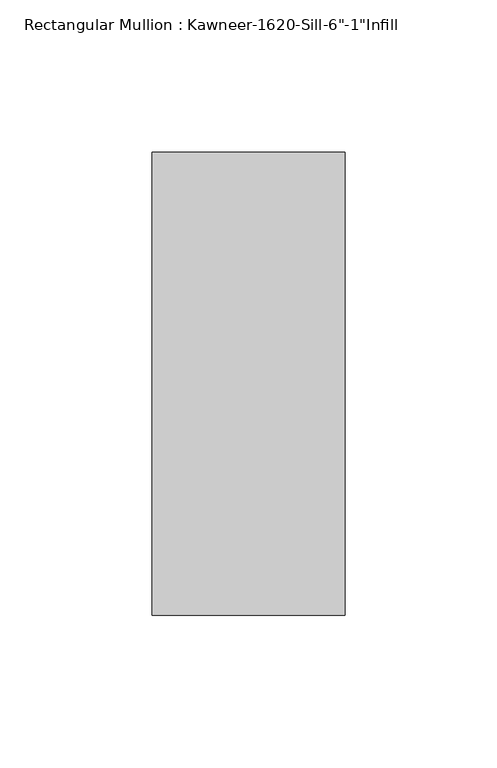
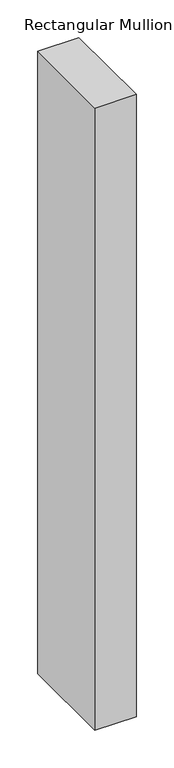
"""IFC4 building model written with IfcOpenShell, lengths in millimetres: member geometry."""

import ifcopenshell
import ifcopenshell.guid

model = None  # the IFC model being written
_history = None  # IfcOwnerHistory: only IFC2X3 demands one
_inside = {}  # id of a spatial element -> (the spatial element, [elements in it])
_under = {}  # id of a project, library or spatial element -> (it, [spatial elements below it])
_declared = {}  # id of a project -> (the project, [libraries it declares])
_typed = {}  # id of a type object -> (the type object, [elements of that type])
_made_of = {}  # id of a material, layer set ... -> (it, [elements and type objects made of it])


def new_model(schema):
    """Start an empty IFC model of exactly this schema.

    Asked for "IFC4X3", IfcOpenShell would pick the latest addendum, in which some entities
    have other attributes; the version numbers below select the first issue.
    IFC2X3 requires an IfcOwnerHistory on every rooted entity: one is made here for all.
    """
    global model, _history
    if schema == "IFC4X3":
        model = ifcopenshell.file(schema_version=(4, 3, 0, 0))
    else:
        model = ifcopenshell.file(schema=schema)
    _inside.clear()
    _under.clear()
    _declared.clear()
    _typed.clear()
    _made_of.clear()
    _history = None
    if model.schema == "IFC2X3":
        org = make("IfcOrganization", Name="unknown")
        user = make(
            "IfcPersonAndOrganization",
            ThePerson=make("IfcPerson", FamilyName="unknown"),
            TheOrganization=org,
        )
        app = make(
            "IfcApplication",
            ApplicationDeveloper=org,
            Version="unknown",
            ApplicationFullName="unknown",
            ApplicationIdentifier="unknown",
        )
        _history = make(
            "IfcOwnerHistory",
            OwningUser=user,
            OwningApplication=app,
            ChangeAction="ADDED",
            CreationDate=0,
        )
    return model


def make(cls, **values):
    """One entity of the class cls with the attributes given. An attribute that is None is left unset."""
    return model.create_entity(
        cls, **{name: value for name, value in values.items() if value is not None}
    )


def rooted(cls, **values):
    """An entity with a GlobalId (a new one), such as an element, a storey or a relation."""
    return make(cls, GlobalId=ifcopenshell.guid.new(), OwnerHistory=_history, **values)


def si_unit(unit_type, name, prefix=None):
    """IfcSIUnit, for example si_unit("LENGTHUNIT", "METRE", prefix="MILLI")."""
    return make("IfcSIUnit", UnitType=unit_type, Prefix=prefix, Name=name)


def assignment(units):
    """IfcUnitAssignment: the units of a project."""
    return None if units is None else make("IfcUnitAssignment", Units=units)


def point(xyz):
    """IfcCartesianPoint."""
    return None if xyz is None else make("IfcCartesianPoint", Coordinates=xyz)


def direction(xyz):
    """IfcDirection."""
    return None if xyz is None else make("IfcDirection", DirectionRatios=xyz)


def frame(location, z_axis=None, x_axis=None):
    """IfcAxis2Placement3D, a coordinate frame: its origin and axes. An axis left out is left unset."""
    return make(
        "IfcAxis2Placement3D",
        Location=point(location),
        Axis=direction(z_axis),
        RefDirection=direction(x_axis),
    )


def origin():
    """The frame at (0, 0, 0) with its axes left unset."""
    return frame((0.0, 0.0, 0.0))


def place(relative_to, where):
    """IfcLocalPlacement: puts the frame where relative to a parent placement (None: the world)."""
    return make(
        "IfcLocalPlacement", PlacementRelTo=relative_to, RelativePlacement=where
    )


def context(
    kind, dimensions, precision=None, world=None, true_north=None, identifier=None
):
    """IfcGeometricRepresentationContext, for example the 3D "Model" context."""
    return make(
        "IfcGeometricRepresentationContext",
        ContextIdentifier=identifier,
        ContextType=kind,
        CoordinateSpaceDimension=dimensions,
        Precision=precision,
        WorldCoordinateSystem=world,
        TrueNorth=true_north,
    )


def project(units=None, contexts=None):
    """IfcProject with its units and contexts."""
    return rooted(
        "IfcProject",
        Name="project",
        RepresentationContexts=contexts,
        UnitsInContext=assignment(units),
    )


def spatial(cls, under=None, at=None, **own):
    """A site, building, storey or space (cls), placed at a placement, below another one or the project."""
    s = rooted(cls, ObjectPlacement=at, **own)
    if under is not None:
        _under.setdefault(under.id(), (under, []))[1].append(s)
    return s


def polyline(points):
    """IfcPolyline through the points."""
    return make("IfcPolyline", Points=[point(p) for p in points])


def outline(outer, holes=None, kind="AREA"):
    """IfcArbitraryClosedProfileDef: a profile drawn as a closed curve; with holes, ...WithVoids."""
    if holes is None:
        return make("IfcArbitraryClosedProfileDef", ProfileType=kind, OuterCurve=outer)
    return make(
        "IfcArbitraryProfileDefWithVoids",
        ProfileType=kind,
        OuterCurve=outer,
        InnerCurves=holes,
    )


def extrude(swept, where, along, depth):
    """IfcExtrudedAreaSolid: the profile swept, set in the frame where, extruded along a direction by depth."""
    return make(
        "IfcExtrudedAreaSolid",
        SweptArea=swept,
        Position=where,
        ExtrudedDirection=direction(along),
        Depth=depth,
    )


def shape(context_of_items, identifier, shape_type, items):
    """IfcShapeRepresentation: the items that make up one representation, for example the "Body"."""
    return make(
        "IfcShapeRepresentation",
        ContextOfItems=context_of_items,
        RepresentationIdentifier=identifier,
        RepresentationType=shape_type,
        Items=items,
    )


def source(mapping_origin, context_of_items, identifier, shape_type, items):
    """IfcRepresentationMap: a shape defined once, which mapped items show again and again."""
    return make(
        "IfcRepresentationMap",
        MappingOrigin=mapping_origin,
        MappedRepresentation=shape(context_of_items, identifier, shape_type, items),
    )


def transform(
    local_origin,
    x_axis=None,
    y_axis=None,
    z_axis=None,
    scale=None,
    scale2=None,
    scale3=None,
    uniform=True,
):
    """IfcCartesianTransformationOperator3D, or its non-uniform kind. x_axis, y_axis, z_axis: its Axis1, 2, 3."""
    if uniform:
        return make(
            "IfcCartesianTransformationOperator3D",
            Axis1=direction(x_axis),
            Axis2=direction(y_axis),
            LocalOrigin=point(local_origin),
            Scale=scale,
            Axis3=direction(z_axis),
        )
    return make(
        "IfcCartesianTransformationOperator3DnonUniform",
        Axis1=direction(x_axis),
        Axis2=direction(y_axis),
        LocalOrigin=point(local_origin),
        Scale=scale,
        Axis3=direction(z_axis),
        Scale2=scale2,
        Scale3=scale3,
    )


def mapped(mapping_source, mapping_target):
    """IfcMappedItem: shows the shape of a source again, moved by a transform."""
    return make(
        "IfcMappedItem", MappingSource=mapping_source, MappingTarget=mapping_target
    )


def made_of(thing, what):
    """Note that an element or type object is made of a material, layer set ...; save() writes the relation."""
    if what is not None:
        _made_of.setdefault(what.id(), (what, []))[1].append(thing)
    return thing


def element(
    cls,
    number,
    at=None,
    inside=None,
    cuts=None,
    type_object=None,
    material=None,
    context=None,
    identifier="Body",
    shape_type=None,
    held_by="IfcProductDefinitionShape",
    body=None,
    shapes=None,
    **own,
):
    """One element of the class cls, such as IfcWall. Its Tag is "e" and its number.

    at: its placement. inside: the storey or other place that contains it. cuts: it is an
    opening in that element (IfcRelVoidsElement). A single representation is given by context,
    identifier, shape_type and body (its items); several are given by shapes. held_by: the class
    of the entity that holds the representations. save() writes the other relations.
    """
    e = rooted(cls, Tag="e%d" % number, ObjectPlacement=at, **own)
    if body is not None:
        shapes = [shape(context, identifier, shape_type, body)]
    if shapes is not None:
        e.Representation = make(held_by, Representations=shapes)
    if inside is not None:
        _inside.setdefault(inside.id(), (inside, []))[1].append(e)
    if cuts is not None:
        rooted(
            "IfcRelVoidsElement", RelatingBuildingElement=cuts, RelatedOpeningElement=e
        )
    if type_object is not None:
        _typed.setdefault(type_object.id(), (type_object, []))[1].append(e)
    return made_of(e, material)


def aggregate(whole, parts):
    """IfcRelAggregates: a whole, such as a stair, and the parts it consists of."""
    return rooted("IfcRelAggregates", RelatingObject=whole, RelatedObjects=parts)


def save(model, path):
    """Write the relations noted so far, then the file.

    IfcRelAggregates (storeys below a building ...), IfcRelContainedInSpatialStructure (elements
    in a storey), IfcRelDefinesByType, IfcRelAssociatesMaterial and IfcRelDeclares: one each for
    every whole, place, type object, material and project.
    """
    for whole, parts in _under.values():
        aggregate(whole, parts)
    for where, things in _inside.values():
        rooted(
            "IfcRelContainedInSpatialStructure",
            RelatedElements=things,
            RelatingStructure=where,
        )
    for kind, things in _typed.values():
        rooted("IfcRelDefinesByType", RelatedObjects=things, RelatingType=kind)
    for what, things in _made_of.values():
        rooted("IfcRelAssociatesMaterial", RelatedObjects=things, RelatingMaterial=what)
    for by, libraries in _declared.values():
        rooted("IfcRelDeclares", RelatingContext=by, RelatedDefinitions=libraries)
    model.write(path)


def member_b15614fe(model_context):
    return source(origin(), model_context, "Body", "SweptSolid", [
        extrude(outline(polyline([(-63.5, 38.1), (0.0, 38.1), (0.0, -114.3), (-63.5, -114.3), (-63.5, 38.1)])), frame((0.0, 0.0, -1011.3830398), z_axis=(0.0, 0.0, 1.0), x_axis=(1.0, 0.0, 0.0)), (0.0, 0.0, 1.0), 1011.3830398),
    ])


if __name__ == "__main__":
    model = new_model("IFC4")
    model_context = context("Model", 3, world=origin())
    ifc_project = project(units=[si_unit("LENGTHUNIT", "METRE", prefix="MILLI")], contexts=[model_context])
    site = spatial("IfcSite", under=ifc_project)
    building = spatial("IfcBuilding", under=site)
    placement = place(None, origin())
    member_shape = member_b15614fe(model_context)
    element("IfcMember", 1, ObjectType="Rectangular Mullion : Kawneer-1620-Sill-6\"-1\"Infill", at=placement, inside=building, context=model_context, shape_type="MappedRepresentation", body=[
        mapped(member_shape, transform((0.0, 0.0, 0.0), x_axis=(1.0, 0.0, 0.0), y_axis=(0.0, 1.0, 0.0), z_axis=(0.0, 0.0, 1.0))),
    ])
    save(model, "model.ifc")
